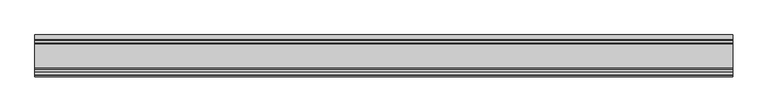
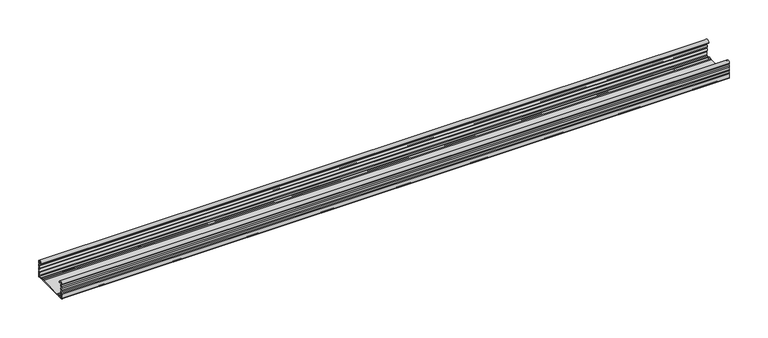
"""IFC4 building model written with IfcOpenShell, lengths in millimetres: proxy geometry."""

from ifc_helpers import new_model, si_unit, point, frame, frame_2d, origin, place, context, project, spatial, polyline, circle_curve, trimmed, segment, composite_curve, outline, extrude, source, transform, mapped, element, save


def generic_models_cbb1e458(model_context):
    return source(origin(), model_context, "Body", "SweptSolid", [
        extrude(outline(composite_curve([segment(trimmed(circle_curve(frame_2d((30.75, 21.1911057)), 1.95), [point((29.424, 22.6208693))], [point((29.424, 19.7613421))], True, "CARTESIAN"), True, "CONTINUOUS"), segment(trimmed(circle_curve(frame_2d((28.2, 18.4415603)), 1.8), [point((29.424, 19.7613421))], [point((29.6853338, 17.4248088))], False, "CARTESIAN"), True, "CONTINUOUS"), segment(trimmed(circle_curve(frame_2d((30.75, 15.7911057)), 1.95), [point((29.6853338, 17.4248088))], [point((29.6853338, 14.1574026))], True, "CARTESIAN"), True, "CONTINUOUS"), segment(trimmed(circle_curve(frame_2d((28.2, 13.1406511)), 1.8), [point((29.6853338, 14.1574026))], [point((29.424, 11.8208693))], False, "CARTESIAN"), True, "CONTINUOUS"), segment(trimmed(circle_curve(frame_2d((30.75, 10.3911057)), 1.95), [point((29.424, 11.8208693))], [point((29.424, 8.9613421))], True, "CARTESIAN"), True, "CONTINUOUS"), segment(trimmed(circle_curve(frame_2d((28.2, 7.6415603)), 1.8), [point((29.424, 8.9613421))], [point((30.0, 7.6415603))], False, "CARTESIAN"), True, "CONTINUOUS"), segment(polyline([(30.0, 7.6415603), (30.0, 1.2)]), True, "CONTINUOUS"), segment(trimmed(circle_curve(frame_2d((28.8, 1.2)), 1.2), [point((30.0, 1.2))], [point((28.8, 0.0))], False, "CARTESIAN"), True, "CONTINUOUS"), segment(polyline([(28.8, 0.0), (23.4819519, 0.0)]), True, "CONTINUOUS"), segment(trimmed(circle_curve(frame_2d((23.4819519, 1.8)), 1.8), [point((23.4819519, 0.0))], [point((22.1621701, 0.576))], False, "CARTESIAN"), True, "CONTINUOUS"), segment(trimmed(circle_curve(frame_2d((20.7324065, -0.75)), 1.95), [point((22.1621701, 0.576))], [point((19.3026429, 0.576))], True, "CARTESIAN"), True, "CONTINUOUS"), segment(trimmed(circle_curve(frame_2d((17.9828611, 1.8)), 1.8), [point((19.3026429, 0.576))], [point((17.9828611, 0.0))], False, "CARTESIAN"), True, "CONTINUOUS"), segment(polyline([(17.9828611, 0.0), (-17.9828611, 0.0)]), True, "CONTINUOUS"), segment(trimmed(circle_curve(frame_2d((-17.9828611, 1.8)), 1.8), [point((-17.9828611, 0.0))], [point((-19.3026429, 0.576))], False, "CARTESIAN"), True, "CONTINUOUS"), segment(trimmed(circle_curve(frame_2d((-20.7324065, -0.75)), 1.95), [point((-19.3026429, 0.576))], [point((-22.1621701, 0.576))], True, "CARTESIAN"), True, "CONTINUOUS"), segment(trimmed(circle_curve(frame_2d((-23.4819519, 1.8)), 1.8), [point((-22.1621701, 0.576))], [point((-23.4819519, 0.0))], False, "CARTESIAN"), True, "CONTINUOUS"), segment(polyline([(-23.4819519, 0.0), (-28.8, 0.0)]), True, "CONTINUOUS"), segment(trimmed(circle_curve(frame_2d((-28.8, 1.2)), 1.2), [point((-28.8, 0.0))], [point((-30.0, 1.2))], False, "CARTESIAN"), True, "CONTINUOUS"), segment(polyline([(-30.0, 1.2), (-30.0, 7.6415603)]), True, "CONTINUOUS"), segment(trimmed(circle_curve(frame_2d((-28.2, 7.6415603)), 1.8), [point((-30.0, 7.6415603))], [point((-29.424, 8.9613421))], False, "CARTESIAN"), True, "CONTINUOUS"), segment(trimmed(circle_curve(frame_2d((-30.75, 10.3911057)), 1.95), [point((-29.424, 8.9613421))], [point((-29.424, 11.8208693))], True, "CARTESIAN"), True, "CONTINUOUS"), segment(trimmed(circle_curve(frame_2d((-28.2, 13.1406511)), 1.8), [point((-29.424, 11.8208693))], [point((-29.6853338, 14.1574026))], False, "CARTESIAN"), True, "CONTINUOUS"), segment(trimmed(circle_curve(frame_2d((-30.75, 15.7911057)), 1.95), [point((-29.6853338, 14.1574026))], [point((-29.6853338, 17.4248088))], True, "CARTESIAN"), True, "CONTINUOUS"), segment(trimmed(circle_curve(frame_2d((-28.2, 18.4415603)), 1.8), [point((-29.6853338, 17.4248088))], [point((-29.424, 19.7613421))], False, "CARTESIAN"), True, "CONTINUOUS"), segment(trimmed(circle_curve(frame_2d((-30.75, 21.1911057)), 1.95), [point((-29.424, 19.7613421))], [point((-29.424, 22.6208693))], True, "CARTESIAN"), True, "CONTINUOUS"), segment(trimmed(circle_curve(frame_2d((-28.2, 23.9406511)), 1.8), [point((-29.424, 22.6208693))], [point((-29.9990651, 23.8826448))], False, "CARTESIAN"), True, "CONTINUOUS"), segment(trimmed(circle_curve(frame_2d((-26.8817099, 23.8826448)), 3.1173552), [point((-29.9990651, 23.8826448))], [point((-23.7643548, 23.8826448))], False, "CARTESIAN"), True, "CONTINUOUS"), segment(polyline([(-23.7643548, 23.8826448), (-23.7643548, 23.0407729), (-24.9643548, 23.0407729), (-24.9643548, 23.8826448)]), True, "CONTINUOUS"), segment(trimmed(circle_curve(frame_2d((-26.8817099, 23.8826448)), 1.9173552), [point((-24.9643548, 23.8826448))], [point((-28.7514388, 24.3073386))], True, "CARTESIAN"), True, "CONTINUOUS"), segment(trimmed(circle_curve(frame_2d((-27.7762784, 24.0858388)), 1.0), [point((-28.7514388, 24.3073386))], [point((-28.4928378, 23.3883128))], True, "CARTESIAN"), True, "CONTINUOUS"), segment(trimmed(circle_curve(frame_2d((-30.75, 21.1911057)), 3.15), [point((-28.4928378, 23.3883128))], [point((-28.3578316, 19.1417081))], False, "CARTESIAN"), True, "CONTINUOUS"), segment(trimmed(circle_curve(frame_2d((-27.5984131, 18.4911057)), 1.0), [point((-28.3578316, 19.1417081))], [point((-28.3578316, 17.8405033))], True, "CARTESIAN"), True, "CONTINUOUS"), segment(trimmed(circle_curve(frame_2d((-30.75, 15.7911057)), 3.15), [point((-28.3578316, 17.8405033))], [point((-28.3578316, 13.7417081))], False, "CARTESIAN"), True, "CONTINUOUS"), segment(trimmed(circle_curve(frame_2d((-27.5984131, 13.0911057)), 1.0), [point((-28.3578316, 13.7417081))], [point((-28.3578316, 12.4405033))], True, "CARTESIAN"), True, "CONTINUOUS"), segment(trimmed(circle_curve(frame_2d((-30.75, 10.3911057)), 3.15), [point((-28.3578316, 12.4405033))], [point((-28.3339806, 8.3698808))], False, "CARTESIAN"), True, "CONTINUOUS"), segment(trimmed(circle_curve(frame_2d((-26.8, 7.0865634)), 2.0), [point((-28.3339806, 8.3698808))], [point((-28.8, 7.0865634))], True, "CARTESIAN"), True, "CONTINUOUS"), segment(polyline([(-28.8, 7.0865634), (-28.8, 2.4)]), True, "CONTINUOUS"), segment(trimmed(circle_curve(frame_2d((-27.6, 2.4)), 1.2), [point((-28.8, 2.4))], [point((-27.6, 1.2))], True, "CARTESIAN"), True, "CONTINUOUS"), segment(polyline([(-27.6, 1.2), (-24.382064, 1.2)]), True, "CONTINUOUS"), segment(trimmed(circle_curve(frame_2d((-24.382064, 4.2)), 3.0), [point((-24.382064, 1.2))], [point((-22.6017433, 1.7853659))], True, "CARTESIAN"), True, "CONTINUOUS"), segment(trimmed(circle_curve(frame_2d((-20.7324065, -0.75)), 3.15), [point((-22.6017433, 1.7853659))], [point((-18.8630697, 1.7853659))], False, "CARTESIAN"), True, "CONTINUOUS"), segment(trimmed(circle_curve(frame_2d((-17.082749, 4.2)), 3.0), [point((-18.8630697, 1.7853659))], [point((-17.082749, 1.2))], True, "CARTESIAN"), True, "CONTINUOUS"), segment(polyline([(-17.082749, 1.2), (17.082749, 1.2)]), True, "CONTINUOUS"), segment(trimmed(circle_curve(frame_2d((17.082749, 4.2)), 3.0), [point((17.082749, 1.2))], [point((18.8630697, 1.7853659))], True, "CARTESIAN"), True, "CONTINUOUS"), segment(trimmed(circle_curve(frame_2d((20.7324065, -0.75)), 3.15), [point((18.8630697, 1.7853659))], [point((22.6017433, 1.7853659))], False, "CARTESIAN"), True, "CONTINUOUS"), segment(trimmed(circle_curve(frame_2d((24.382064, 4.2)), 3.0), [point((22.6017433, 1.7853659))], [point((24.382064, 1.2))], True, "CARTESIAN"), True, "CONTINUOUS"), segment(polyline([(24.382064, 1.2), (27.6182196, 1.2)]), True, "CONTINUOUS"), segment(trimmed(circle_curve(frame_2d((27.6182196, 2.3817804)), 1.1817804), [point((27.6182196, 1.2))], [point((28.8, 2.3817804))], True, "CARTESIAN"), True, "CONTINUOUS"), segment(polyline([(28.8, 2.3817804), (28.8, 7.0865634)]), True, "CONTINUOUS"), segment(trimmed(circle_curve(frame_2d((26.8, 7.0865634)), 2.0), [point((28.8, 7.0865634))], [point((28.3339806, 8.3698808))], True, "CARTESIAN"), True, "CONTINUOUS"), segment(trimmed(circle_curve(frame_2d((30.75, 10.3911057)), 3.15), [point((28.3339806, 8.3698808))], [point((28.3578316, 12.4405033))], False, "CARTESIAN"), True, "CONTINUOUS"), segment(trimmed(circle_curve(frame_2d((27.5984131, 13.0911057)), 1.0), [point((28.3578316, 12.4405033))], [point((28.3578316, 13.7417081))], True, "CARTESIAN"), True, "CONTINUOUS"), segment(trimmed(circle_curve(frame_2d((30.75, 15.7911057)), 3.15), [point((28.3578316, 13.7417081))], [point((28.3578316, 17.8405033))], False, "CARTESIAN"), True, "CONTINUOUS"), segment(trimmed(circle_curve(frame_2d((27.5984131, 18.4911057)), 1.0), [point((28.3578316, 17.8405033))], [point((28.3578316, 19.1417081))], True, "CARTESIAN"), True, "CONTINUOUS"), segment(trimmed(circle_curve(frame_2d((30.75, 21.1911057)), 3.15), [point((28.3578316, 19.1417081))], [point((28.4928378, 23.3883128))], False, "CARTESIAN"), True, "CONTINUOUS"), segment(trimmed(circle_curve(frame_2d((27.7762784, 24.0858388)), 1.0), [point((28.4928378, 23.3883128))], [point((28.7514388, 24.3073386))], True, "CARTESIAN"), True, "CONTINUOUS"), segment(trimmed(circle_curve(frame_2d((26.8817099, 23.8826448)), 1.9173552), [point((28.7514388, 24.3073386))], [point((24.9643548, 23.8826448))], True, "CARTESIAN"), True, "CONTINUOUS"), segment(polyline([(24.9643548, 23.8826448), (24.9643548, 23.0407729), (23.7643548, 23.0407729), (23.7643548, 23.8826448)]), True, "CONTINUOUS"), segment(trimmed(circle_curve(frame_2d((26.8817099, 23.8826448)), 3.1173552), [point((23.7643548, 23.8826448))], [point((29.9990651, 23.8826448))], False, "CARTESIAN"), True, "CONTINUOUS"), segment(trimmed(circle_curve(frame_2d((28.2, 23.9406511)), 1.8), [point((29.9990651, 23.8826448))], [point((29.424, 22.6208693))], False, "CARTESIAN"), True, "CONTINUOUS")], self_intersect=False)), frame((-500.0, 0.0, 0.0), z_axis=(1.0, 0.0, 0.0), x_axis=(0.0, 1.0, 0.0)), (0.0, 0.0, 1.0), 1000.0),
    ])


if __name__ == "__main__":
    model = new_model("IFC4")
    model_context = context("Model", 3, world=origin())
    ifc_project = project(units=[si_unit("LENGTHUNIT", "METRE", prefix="MILLI")], contexts=[model_context])
    site = spatial("IfcSite", under=ifc_project)
    building = spatial("IfcBuilding", under=site)
    placement = place(None, origin())
    generic_models_shape = generic_models_cbb1e458(model_context)
    element("IfcBuildingElementProxy", 1, Name="Generic Models", at=placement, inside=building, context=model_context, shape_type="MappedRepresentation", body=[
        mapped(generic_models_shape, transform((0.0, 0.0, 0.0), x_axis=(1.0, 0.0, 0.0), y_axis=(0.0, 1.0, 0.0), z_axis=(0.0, 0.0, 1.0))),
    ])
    save(model, "model.ifc")
